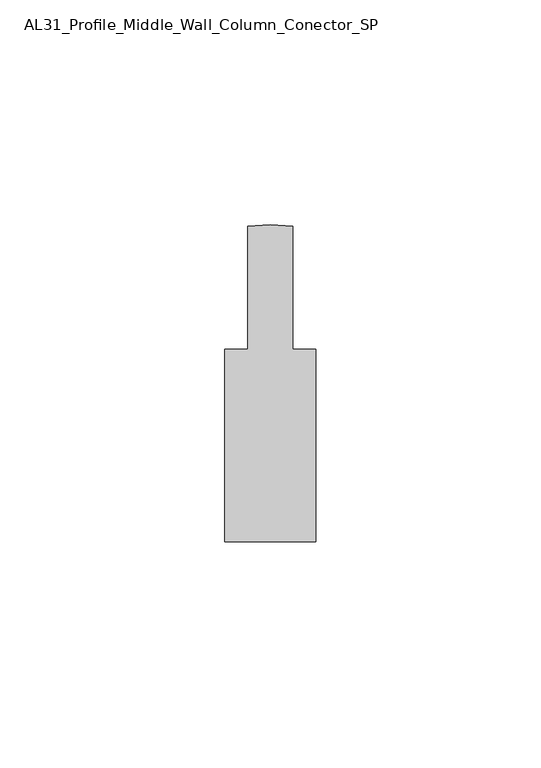
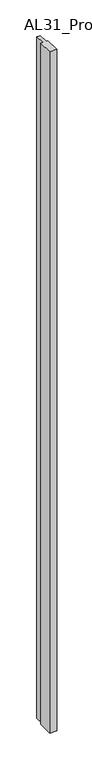
"""IFC4 building model written with IfcOpenShell, lengths in millimetres: member geometry, AL31_Profile_Middle_Wall_Column_Conector_SP."""

from ifc_helpers import new_model, si_unit, point, frame, frame_2d, origin, place, context, project, spatial, polyline, circle_curve, trimmed, segment, composite_curve, outline, extrude, source, transform, mapped, element, save


def al31_profile_middle_wall_column_conector_sp_6bb0926f(model_context):
    return source(origin(), model_context, "Body", "SweptSolid", [
        extrude(outline(composite_curve([segment(polyline([(-10.0998979, -55.0499937), (-10.0998979, -12.3499946), (-4.9998991, -12.3499946), (-4.9998991, 15.0180889)]), True, "CONTINUOUS"), segment(trimmed(circle_curve(frame_2d((0.0116092, -22.6499982)), 38.0), [point((-4.9998991, 15.0180889))], [point((5.0001009, 15.0211439))], False, "CARTESIAN"), True, "CONTINUOUS"), segment(polyline([(5.0001009, 15.0211439), (5.0001009, -12.3499946), (10.1001021, -12.3499946), (10.1001021, -55.0499937), (-10.0998979, -55.0499937)]), True, "CONTINUOUS")], self_intersect=False)), frame((0.0, 0.0, -2000.0), z_axis=(0.0, 0.0, 1.0), x_axis=(1.0, 0.0, 0.0)), (0.0, 0.0, 1.0), 2000.0),
    ])


if __name__ == "__main__":
    model = new_model("IFC4")
    model_context = context("Model", 3, world=origin())
    ifc_project = project(units=[si_unit("LENGTHUNIT", "METRE", prefix="MILLI")], contexts=[model_context])
    site = spatial("IfcSite", under=ifc_project)
    building = spatial("IfcBuilding", under=site)
    placement = place(None, origin())
    al31_profile_middle_wall_column_conector_sp_shape = al31_profile_middle_wall_column_conector_sp_6bb0926f(model_context)
    element("IfcMember", 1, ObjectType="AL31_Profile_Middle_Wall_Column_Conector_SP", at=placement, inside=building, context=model_context, shape_type="MappedRepresentation", body=[
        mapped(al31_profile_middle_wall_column_conector_sp_shape, transform((0.0, 0.0, 0.0), x_axis=(1.0, 0.0, 0.0), y_axis=(0.0, 1.0, 0.0), z_axis=(0.0, 0.0, 1.0))),
    ])
    save(model, "model.ifc")
